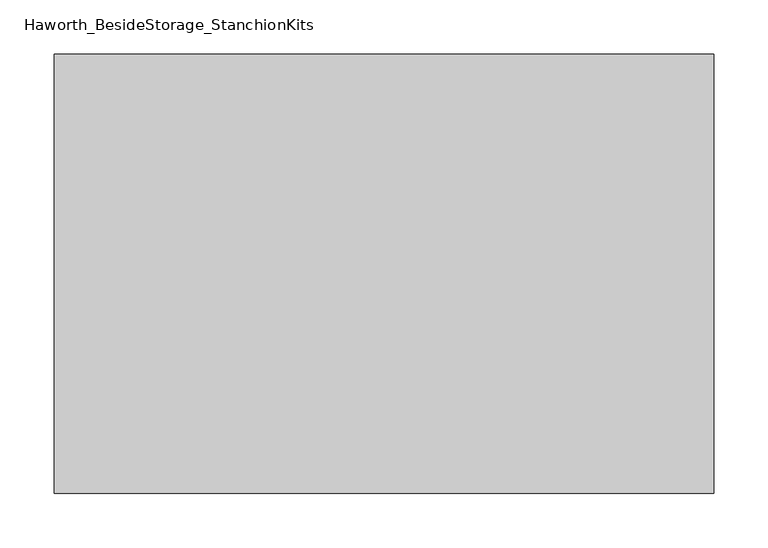
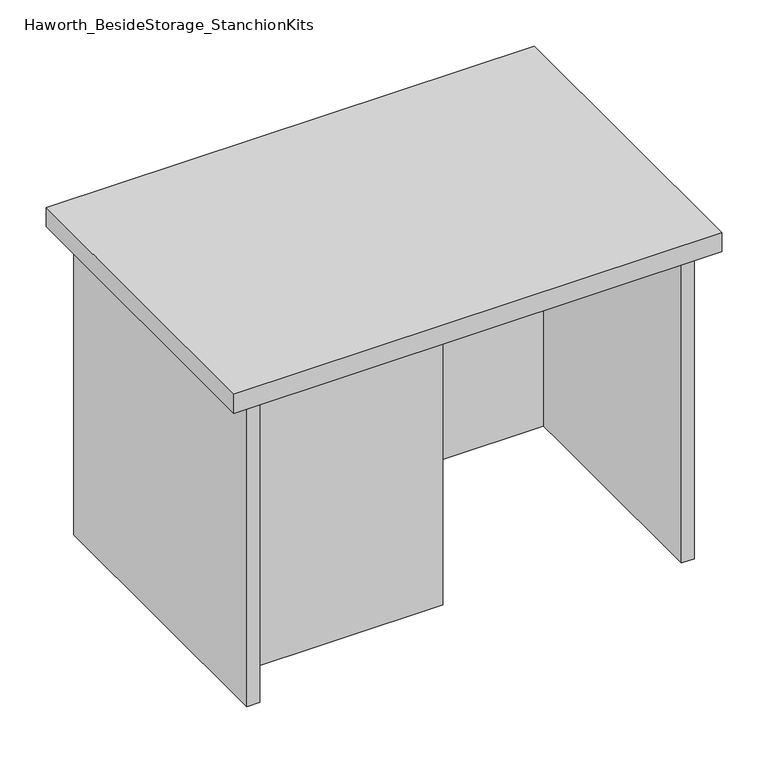
"""IFC4 building model written with IfcOpenShell, lengths in millimetres: furniture geometry, Haworth_BesideStorage_StanchionKits."""

import ifcopenshell
import ifcopenshell.guid

model = None  # the IFC model being written
_history = None  # IfcOwnerHistory: only IFC2X3 demands one
_inside = {}  # id of a spatial element -> (the spatial element, [elements in it])
_under = {}  # id of a project, library or spatial element -> (it, [spatial elements below it])
_declared = {}  # id of a project -> (the project, [libraries it declares])
_typed = {}  # id of a type object -> (the type object, [elements of that type])
_made_of = {}  # id of a material, layer set ... -> (it, [elements and type objects made of it])


def new_model(schema):
    """Start an empty IFC model of exactly this schema.

    Asked for "IFC4X3", IfcOpenShell would pick the latest addendum, in which some entities
    have other attributes; the version numbers below select the first issue.
    IFC2X3 requires an IfcOwnerHistory on every rooted entity: one is made here for all.
    """
    global model, _history
    if schema == "IFC4X3":
        model = ifcopenshell.file(schema_version=(4, 3, 0, 0))
    else:
        model = ifcopenshell.file(schema=schema)
    _inside.clear()
    _under.clear()
    _declared.clear()
    _typed.clear()
    _made_of.clear()
    _history = None
    if model.schema == "IFC2X3":
        org = make("IfcOrganization", Name="unknown")
        user = make(
            "IfcPersonAndOrganization",
            ThePerson=make("IfcPerson", FamilyName="unknown"),
            TheOrganization=org,
        )
        app = make(
            "IfcApplication",
            ApplicationDeveloper=org,
            Version="unknown",
            ApplicationFullName="unknown",
            ApplicationIdentifier="unknown",
        )
        _history = make(
            "IfcOwnerHistory",
            OwningUser=user,
            OwningApplication=app,
            ChangeAction="ADDED",
            CreationDate=0,
        )
    return model


def make(cls, **values):
    """One entity of the class cls with the attributes given. An attribute that is None is left unset."""
    return model.create_entity(
        cls, **{name: value for name, value in values.items() if value is not None}
    )


def rooted(cls, **values):
    """An entity with a GlobalId (a new one), such as an element, a storey or a relation."""
    return make(cls, GlobalId=ifcopenshell.guid.new(), OwnerHistory=_history, **values)


def si_unit(unit_type, name, prefix=None):
    """IfcSIUnit, for example si_unit("LENGTHUNIT", "METRE", prefix="MILLI")."""
    return make("IfcSIUnit", UnitType=unit_type, Prefix=prefix, Name=name)


def assignment(units):
    """IfcUnitAssignment: the units of a project."""
    return None if units is None else make("IfcUnitAssignment", Units=units)


def point(xyz):
    """IfcCartesianPoint."""
    return None if xyz is None else make("IfcCartesianPoint", Coordinates=xyz)


def direction(xyz):
    """IfcDirection."""
    return None if xyz is None else make("IfcDirection", DirectionRatios=xyz)


def frame(location, z_axis=None, x_axis=None):
    """IfcAxis2Placement3D, a coordinate frame: its origin and axes. An axis left out is left unset."""
    return make(
        "IfcAxis2Placement3D",
        Location=point(location),
        Axis=direction(z_axis),
        RefDirection=direction(x_axis),
    )


def origin():
    """The frame at (0, 0, 0) with its axes left unset."""
    return frame((0.0, 0.0, 0.0))


def place(relative_to, where):
    """IfcLocalPlacement: puts the frame where relative to a parent placement (None: the world)."""
    return make(
        "IfcLocalPlacement", PlacementRelTo=relative_to, RelativePlacement=where
    )


def context(
    kind, dimensions, precision=None, world=None, true_north=None, identifier=None
):
    """IfcGeometricRepresentationContext, for example the 3D "Model" context."""
    return make(
        "IfcGeometricRepresentationContext",
        ContextIdentifier=identifier,
        ContextType=kind,
        CoordinateSpaceDimension=dimensions,
        Precision=precision,
        WorldCoordinateSystem=world,
        TrueNorth=true_north,
    )


def project(units=None, contexts=None):
    """IfcProject with its units and contexts."""
    return rooted(
        "IfcProject",
        Name="project",
        RepresentationContexts=contexts,
        UnitsInContext=assignment(units),
    )


def spatial(cls, under=None, at=None, **own):
    """A site, building, storey or space (cls), placed at a placement, below another one or the project."""
    s = rooted(cls, ObjectPlacement=at, **own)
    if under is not None:
        _under.setdefault(under.id(), (under, []))[1].append(s)
    return s


def polyline(points):
    """IfcPolyline through the points."""
    return make("IfcPolyline", Points=[point(p) for p in points])


def outline(outer, holes=None, kind="AREA"):
    """IfcArbitraryClosedProfileDef: a profile drawn as a closed curve; with holes, ...WithVoids."""
    if holes is None:
        return make("IfcArbitraryClosedProfileDef", ProfileType=kind, OuterCurve=outer)
    return make(
        "IfcArbitraryProfileDefWithVoids",
        ProfileType=kind,
        OuterCurve=outer,
        InnerCurves=holes,
    )


def extrude(swept, where, along, depth):
    """IfcExtrudedAreaSolid: the profile swept, set in the frame where, extruded along a direction by depth."""
    return make(
        "IfcExtrudedAreaSolid",
        SweptArea=swept,
        Position=where,
        ExtrudedDirection=direction(along),
        Depth=depth,
    )


def shape(context_of_items, identifier, shape_type, items):
    """IfcShapeRepresentation: the items that make up one representation, for example the "Body"."""
    return make(
        "IfcShapeRepresentation",
        ContextOfItems=context_of_items,
        RepresentationIdentifier=identifier,
        RepresentationType=shape_type,
        Items=items,
    )


def source(mapping_origin, context_of_items, identifier, shape_type, items):
    """IfcRepresentationMap: a shape defined once, which mapped items show again and again."""
    return make(
        "IfcRepresentationMap",
        MappingOrigin=mapping_origin,
        MappedRepresentation=shape(context_of_items, identifier, shape_type, items),
    )


def transform(
    local_origin,
    x_axis=None,
    y_axis=None,
    z_axis=None,
    scale=None,
    scale2=None,
    scale3=None,
    uniform=True,
):
    """IfcCartesianTransformationOperator3D, or its non-uniform kind. x_axis, y_axis, z_axis: its Axis1, 2, 3."""
    if uniform:
        return make(
            "IfcCartesianTransformationOperator3D",
            Axis1=direction(x_axis),
            Axis2=direction(y_axis),
            LocalOrigin=point(local_origin),
            Scale=scale,
            Axis3=direction(z_axis),
        )
    return make(
        "IfcCartesianTransformationOperator3DnonUniform",
        Axis1=direction(x_axis),
        Axis2=direction(y_axis),
        LocalOrigin=point(local_origin),
        Scale=scale,
        Axis3=direction(z_axis),
        Scale2=scale2,
        Scale3=scale3,
    )


def mapped(mapping_source, mapping_target):
    """IfcMappedItem: shows the shape of a source again, moved by a transform."""
    return make(
        "IfcMappedItem", MappingSource=mapping_source, MappingTarget=mapping_target
    )


def made_of(thing, what):
    """Note that an element or type object is made of a material, layer set ...; save() writes the relation."""
    if what is not None:
        _made_of.setdefault(what.id(), (what, []))[1].append(thing)
    return thing


def element(
    cls,
    number,
    at=None,
    inside=None,
    cuts=None,
    type_object=None,
    material=None,
    context=None,
    identifier="Body",
    shape_type=None,
    held_by="IfcProductDefinitionShape",
    body=None,
    shapes=None,
    **own,
):
    """One element of the class cls, such as IfcWall. Its Tag is "e" and its number.

    at: its placement. inside: the storey or other place that contains it. cuts: it is an
    opening in that element (IfcRelVoidsElement). A single representation is given by context,
    identifier, shape_type and body (its items); several are given by shapes. held_by: the class
    of the entity that holds the representations. save() writes the other relations.
    """
    e = rooted(cls, Tag="e%d" % number, ObjectPlacement=at, **own)
    if body is not None:
        shapes = [shape(context, identifier, shape_type, body)]
    if shapes is not None:
        e.Representation = make(held_by, Representations=shapes)
    if inside is not None:
        _inside.setdefault(inside.id(), (inside, []))[1].append(e)
    if cuts is not None:
        rooted(
            "IfcRelVoidsElement", RelatingBuildingElement=cuts, RelatedOpeningElement=e
        )
    if type_object is not None:
        _typed.setdefault(type_object.id(), (type_object, []))[1].append(e)
    return made_of(e, material)


def aggregate(whole, parts):
    """IfcRelAggregates: a whole, such as a stair, and the parts it consists of."""
    return rooted("IfcRelAggregates", RelatingObject=whole, RelatedObjects=parts)


def save(model, path):
    """Write the relations noted so far, then the file.

    IfcRelAggregates (storeys below a building ...), IfcRelContainedInSpatialStructure (elements
    in a storey), IfcRelDefinesByType, IfcRelAssociatesMaterial and IfcRelDeclares: one each for
    every whole, place, type object, material and project.
    """
    for whole, parts in _under.values():
        aggregate(whole, parts)
    for where, things in _inside.values():
        rooted(
            "IfcRelContainedInSpatialStructure",
            RelatedElements=things,
            RelatingStructure=where,
        )
    for kind, things in _typed.values():
        rooted("IfcRelDefinesByType", RelatedObjects=things, RelatingType=kind)
    for what, things in _made_of.values():
        rooted("IfcRelAssociatesMaterial", RelatedObjects=things, RelatingMaterial=what)
    for by, libraries in _declared.values():
        rooted("IfcRelDeclares", RelatingContext=by, RelatedDefinitions=libraries)
    model.write(path)


def haworth_besidestorage_stanchionkits_6453d0e6(model_context):
    return source(origin(), model_context, "Body", "SweptSolid", [
        extrude(outline(polyline([(466.725, 0.0), (466.725, -406.4), (-142.875, -406.4), (-142.875, 0.0), (466.725, 0.0)])), frame((0.0, 0.0, 838.2), z_axis=(0.0, 0.0, 1.0), x_axis=(1.0, 0.0, 0.0)), (0.0, 0.0, 1.0), 25.4),
        extrude(outline(polyline([(161.925, -76.2), (425.45, -76.2), (425.45, -92.075), (161.925, -92.075), (161.925, -76.2)])), frame((0.0, 0.0, 431.8), z_axis=(0.0, 0.0, 1.0), x_axis=(1.0, 0.0, 0.0)), (0.0, 0.0, 1.0), 406.4),
        extrude(outline(polyline([(161.925, -314.325), (161.925, -330.2), (-101.6, -330.2), (-101.6, -314.325), (161.925, -314.325)])), frame((0.0, 0.0, 431.8), z_axis=(0.0, 0.0, 1.0), x_axis=(1.0, 0.0, 0.0)), (0.0, 0.0, 1.0), 406.4),
        extrude(outline(polyline([(441.325, -390.525), (425.45, -390.525), (425.45, -15.875), (441.325, -15.875), (441.325, -390.525)])), frame((0.0, 0.0, 431.8), z_axis=(0.0, 0.0, 1.0), x_axis=(1.0, 0.0, 0.0)), (0.0, 0.0, 1.0), 406.4),
        extrude(outline(polyline([(-101.6, -390.525), (-117.475, -390.525), (-117.475, -15.875), (-101.6, -15.875), (-101.6, -390.525)])), frame((0.0, 0.0, 431.8), z_axis=(0.0, 0.0, 1.0), x_axis=(1.0, 0.0, 0.0)), (0.0, 0.0, 1.0), 406.4),
    ])


if __name__ == "__main__":
    model = new_model("IFC4")
    model_context = context("Model", 3, world=origin())
    ifc_project = project(units=[si_unit("LENGTHUNIT", "METRE", prefix="MILLI")], contexts=[model_context])
    site = spatial("IfcSite", under=ifc_project)
    building = spatial("IfcBuilding", under=site)
    placement = place(None, origin())
    haworth_besidestorage_stanchionkits_shape = haworth_besidestorage_stanchionkits_6453d0e6(model_context)
    element("IfcFurniture", 1, ObjectType="Haworth_BesideStorage_StanchionKits", at=placement, inside=building, context=model_context, shape_type="MappedRepresentation", body=[
        mapped(haworth_besidestorage_stanchionkits_shape, transform((0.0, 0.0, 0.0), x_axis=(1.0, 0.0, 0.0), y_axis=(0.0, 1.0, 0.0), z_axis=(0.0, 0.0, 1.0))),
    ])
    save(model, "model.ifc")
